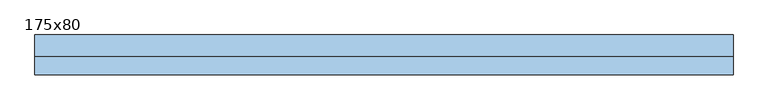
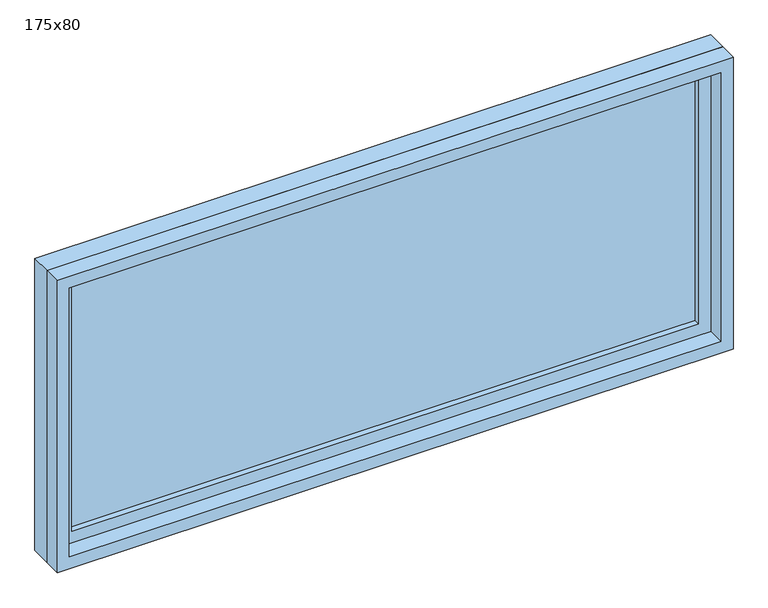
"""IFC4 building model written with IfcOpenShell, lengths in millimetres: window geometry, 175x80."""

import ifcopenshell
import ifcopenshell.guid

model = None  # the IFC model being written
_history = None  # IfcOwnerHistory: only IFC2X3 demands one
_inside = {}  # id of a spatial element -> (the spatial element, [elements in it])
_under = {}  # id of a project, library or spatial element -> (it, [spatial elements below it])
_declared = {}  # id of a project -> (the project, [libraries it declares])
_typed = {}  # id of a type object -> (the type object, [elements of that type])
_made_of = {}  # id of a material, layer set ... -> (it, [elements and type objects made of it])


def new_model(schema):
    """Start an empty IFC model of exactly this schema.

    Asked for "IFC4X3", IfcOpenShell would pick the latest addendum, in which some entities
    have other attributes; the version numbers below select the first issue.
    IFC2X3 requires an IfcOwnerHistory on every rooted entity: one is made here for all.
    """
    global model, _history
    if schema == "IFC4X3":
        model = ifcopenshell.file(schema_version=(4, 3, 0, 0))
    else:
        model = ifcopenshell.file(schema=schema)
    _inside.clear()
    _under.clear()
    _declared.clear()
    _typed.clear()
    _made_of.clear()
    _history = None
    if model.schema == "IFC2X3":
        org = make("IfcOrganization", Name="unknown")
        user = make(
            "IfcPersonAndOrganization",
            ThePerson=make("IfcPerson", FamilyName="unknown"),
            TheOrganization=org,
        )
        app = make(
            "IfcApplication",
            ApplicationDeveloper=org,
            Version="unknown",
            ApplicationFullName="unknown",
            ApplicationIdentifier="unknown",
        )
        _history = make(
            "IfcOwnerHistory",
            OwningUser=user,
            OwningApplication=app,
            ChangeAction="ADDED",
            CreationDate=0,
        )
    return model


def make(cls, **values):
    """One entity of the class cls with the attributes given. An attribute that is None is left unset."""
    return model.create_entity(
        cls, **{name: value for name, value in values.items() if value is not None}
    )


def rooted(cls, **values):
    """An entity with a GlobalId (a new one), such as an element, a storey or a relation."""
    return make(cls, GlobalId=ifcopenshell.guid.new(), OwnerHistory=_history, **values)


def si_unit(unit_type, name, prefix=None):
    """IfcSIUnit, for example si_unit("LENGTHUNIT", "METRE", prefix="MILLI")."""
    return make("IfcSIUnit", UnitType=unit_type, Prefix=prefix, Name=name)


def assignment(units):
    """IfcUnitAssignment: the units of a project."""
    return None if units is None else make("IfcUnitAssignment", Units=units)


def point(xyz):
    """IfcCartesianPoint."""
    return None if xyz is None else make("IfcCartesianPoint", Coordinates=xyz)


def direction(xyz):
    """IfcDirection."""
    return None if xyz is None else make("IfcDirection", DirectionRatios=xyz)


def frame(location, z_axis=None, x_axis=None):
    """IfcAxis2Placement3D, a coordinate frame: its origin and axes. An axis left out is left unset."""
    return make(
        "IfcAxis2Placement3D",
        Location=point(location),
        Axis=direction(z_axis),
        RefDirection=direction(x_axis),
    )


def origin():
    """The frame at (0, 0, 0) with its axes left unset."""
    return frame((0.0, 0.0, 0.0))


def place(relative_to, where):
    """IfcLocalPlacement: puts the frame where relative to a parent placement (None: the world)."""
    return make(
        "IfcLocalPlacement", PlacementRelTo=relative_to, RelativePlacement=where
    )


def context(
    kind, dimensions, precision=None, world=None, true_north=None, identifier=None
):
    """IfcGeometricRepresentationContext, for example the 3D "Model" context."""
    return make(
        "IfcGeometricRepresentationContext",
        ContextIdentifier=identifier,
        ContextType=kind,
        CoordinateSpaceDimension=dimensions,
        Precision=precision,
        WorldCoordinateSystem=world,
        TrueNorth=true_north,
    )


def project(units=None, contexts=None):
    """IfcProject with its units and contexts."""
    return rooted(
        "IfcProject",
        Name="project",
        RepresentationContexts=contexts,
        UnitsInContext=assignment(units),
    )


def spatial(cls, under=None, at=None, **own):
    """A site, building, storey or space (cls), placed at a placement, below another one or the project."""
    s = rooted(cls, ObjectPlacement=at, **own)
    if under is not None:
        _under.setdefault(under.id(), (under, []))[1].append(s)
    return s


def polyline(points):
    """IfcPolyline through the points."""
    return make("IfcPolyline", Points=[point(p) for p in points])


def outline(outer, holes=None, kind="AREA"):
    """IfcArbitraryClosedProfileDef: a profile drawn as a closed curve; with holes, ...WithVoids."""
    if holes is None:
        return make("IfcArbitraryClosedProfileDef", ProfileType=kind, OuterCurve=outer)
    return make(
        "IfcArbitraryProfileDefWithVoids",
        ProfileType=kind,
        OuterCurve=outer,
        InnerCurves=holes,
    )


def extrude(swept, where, along, depth):
    """IfcExtrudedAreaSolid: the profile swept, set in the frame where, extruded along a direction by depth."""
    return make(
        "IfcExtrudedAreaSolid",
        SweptArea=swept,
        Position=where,
        ExtrudedDirection=direction(along),
        Depth=depth,
    )


def shape(context_of_items, identifier, shape_type, items):
    """IfcShapeRepresentation: the items that make up one representation, for example the "Body"."""
    return make(
        "IfcShapeRepresentation",
        ContextOfItems=context_of_items,
        RepresentationIdentifier=identifier,
        RepresentationType=shape_type,
        Items=items,
    )


def source(mapping_origin, context_of_items, identifier, shape_type, items):
    """IfcRepresentationMap: a shape defined once, which mapped items show again and again."""
    return make(
        "IfcRepresentationMap",
        MappingOrigin=mapping_origin,
        MappedRepresentation=shape(context_of_items, identifier, shape_type, items),
    )


def transform(
    local_origin,
    x_axis=None,
    y_axis=None,
    z_axis=None,
    scale=None,
    scale2=None,
    scale3=None,
    uniform=True,
):
    """IfcCartesianTransformationOperator3D, or its non-uniform kind. x_axis, y_axis, z_axis: its Axis1, 2, 3."""
    if uniform:
        return make(
            "IfcCartesianTransformationOperator3D",
            Axis1=direction(x_axis),
            Axis2=direction(y_axis),
            LocalOrigin=point(local_origin),
            Scale=scale,
            Axis3=direction(z_axis),
        )
    return make(
        "IfcCartesianTransformationOperator3DnonUniform",
        Axis1=direction(x_axis),
        Axis2=direction(y_axis),
        LocalOrigin=point(local_origin),
        Scale=scale,
        Axis3=direction(z_axis),
        Scale2=scale2,
        Scale3=scale3,
    )


def mapped(mapping_source, mapping_target):
    """IfcMappedItem: shows the shape of a source again, moved by a transform."""
    return make(
        "IfcMappedItem", MappingSource=mapping_source, MappingTarget=mapping_target
    )


def made_of(thing, what):
    """Note that an element or type object is made of a material, layer set ...; save() writes the relation."""
    if what is not None:
        _made_of.setdefault(what.id(), (what, []))[1].append(thing)
    return thing


def element(
    cls,
    number,
    at=None,
    inside=None,
    cuts=None,
    type_object=None,
    material=None,
    context=None,
    identifier="Body",
    shape_type=None,
    held_by="IfcProductDefinitionShape",
    body=None,
    shapes=None,
    **own,
):
    """One element of the class cls, such as IfcWall. Its Tag is "e" and its number.

    at: its placement. inside: the storey or other place that contains it. cuts: it is an
    opening in that element (IfcRelVoidsElement). A single representation is given by context,
    identifier, shape_type and body (its items); several are given by shapes. held_by: the class
    of the entity that holds the representations. save() writes the other relations.
    """
    e = rooted(cls, Tag="e%d" % number, ObjectPlacement=at, **own)
    if body is not None:
        shapes = [shape(context, identifier, shape_type, body)]
    if shapes is not None:
        e.Representation = make(held_by, Representations=shapes)
    if inside is not None:
        _inside.setdefault(inside.id(), (inside, []))[1].append(e)
    if cuts is not None:
        rooted(
            "IfcRelVoidsElement", RelatingBuildingElement=cuts, RelatedOpeningElement=e
        )
    if type_object is not None:
        _typed.setdefault(type_object.id(), (type_object, []))[1].append(e)
    return made_of(e, material)


def aggregate(whole, parts):
    """IfcRelAggregates: a whole, such as a stair, and the parts it consists of."""
    return rooted("IfcRelAggregates", RelatingObject=whole, RelatedObjects=parts)


def save(model, path):
    """Write the relations noted so far, then the file.

    IfcRelAggregates (storeys below a building ...), IfcRelContainedInSpatialStructure (elements
    in a storey), IfcRelDefinesByType, IfcRelAssociatesMaterial and IfcRelDeclares: one each for
    every whole, place, type object, material and project.
    """
    for whole, parts in _under.values():
        aggregate(whole, parts)
    for where, things in _inside.values():
        rooted(
            "IfcRelContainedInSpatialStructure",
            RelatedElements=things,
            RelatingStructure=where,
        )
    for kind, things in _typed.values():
        rooted("IfcRelDefinesByType", RelatedObjects=things, RelatingType=kind)
    for what, things in _made_of.values():
        rooted("IfcRelAssociatesMaterial", RelatedObjects=things, RelatingMaterial=what)
    for by, libraries in _declared.values():
        rooted("IfcRelDeclares", RelatingContext=by, RelatedDefinitions=libraries)
    model.write(path)


def window_175x80_761e8624(model_context):
    return source(origin(), model_context, "Body", "SweptSolid", [
        extrude(outline(polyline([(773.4, 11.425), (-849.6, 11.425), (-849.6, 24.125), (773.4, 24.125), (773.4, 11.425)])), frame((0.0, 0.0, 977.9), z_axis=(0.0, 0.0, 1.0), x_axis=(1.0, 0.0, 0.0)), (0.0, 0.0, 1.0), 673.0),
        extrude(outline(polyline([(1695.35, -894.05), (933.45, -894.05), (933.45, 817.85), (1695.35, 817.85), (1695.35, -894.05)]), holes=[polyline([(1650.9, -849.6), (1650.9, 773.4), (977.9, 773.4), (977.9, -849.6), (1650.9, -849.6)])]), frame((0.0, -4.45, 0.0), z_axis=(0.0, 1.0, 0.0), x_axis=(0.0, 0.0, 1.0)), (0.0, 0.0, 1.0), 44.45),
        extrude(outline(polyline([(1714.4, -913.1), (914.4, -913.1), (914.4, 836.9), (1714.4, 836.9), (1714.4, -913.1)]), holes=[polyline([(1682.65, -881.35), (1682.65, 805.15), (946.15, 805.15), (946.15, -881.35), (1682.65, -881.35)])]), frame((0.0, -50.0, 0.0), z_axis=(0.0, 1.0, 0.0), x_axis=(0.0, 0.0, 1.0)), (0.0, 0.0, 1.0), 45.55),
        extrude(outline(polyline([(1714.4, 836.9), (1714.4, -913.1), (914.4, -913.1), (914.4, 836.9), (1714.4, 836.9)]), holes=[polyline([(1695.35, 817.85), (933.45, 817.85), (933.45, -894.05), (1695.35, -894.05), (1695.35, 817.85)])]), frame((0.0, -4.45, 0.0), z_axis=(0.0, 1.0, 0.0), x_axis=(0.0, 0.0, 1.0)), (0.0, 0.0, 1.0), 54.45),
    ])


if __name__ == "__main__":
    model = new_model("IFC4")
    model_context = context("Model", 3, world=origin())
    ifc_project = project(units=[si_unit("LENGTHUNIT", "METRE", prefix="MILLI")], contexts=[model_context])
    site = spatial("IfcSite", under=ifc_project)
    building = spatial("IfcBuilding", under=site)
    placement = place(None, origin())
    window_175x80_shape = window_175x80_761e8624(model_context)
    element("IfcWindow", 1, ObjectType="175x80", at=placement, inside=building, context=model_context, shape_type="MappedRepresentation", body=[
        mapped(window_175x80_shape, transform((0.0, 0.0, 0.0), x_axis=(1.0, 0.0, 0.0), y_axis=(0.0, 1.0, 0.0), z_axis=(0.0, 0.0, 1.0))),
    ])
    save(model, "model.ifc")
